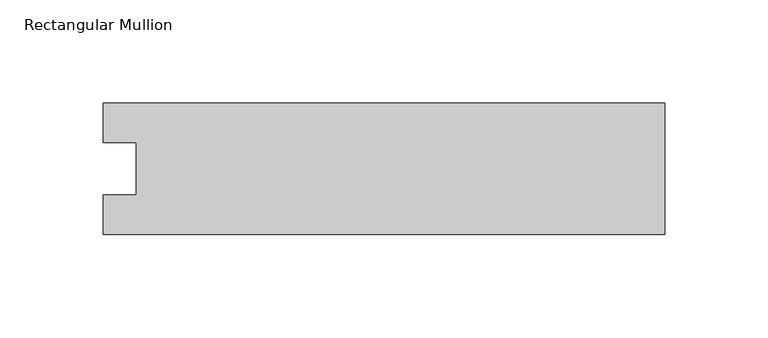
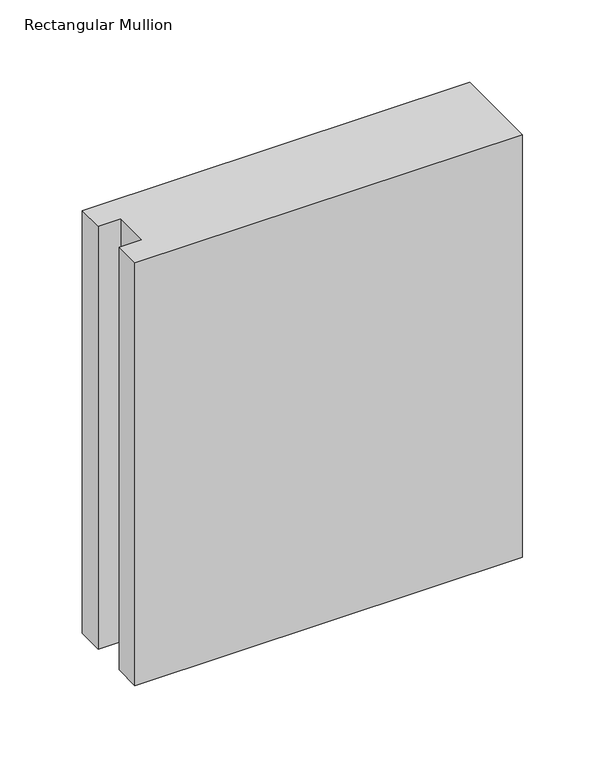
"""IFC4 building model written with IfcOpenShell, lengths in millimetres: member geometry, Rectangular Mullion."""

from ifc_helpers import new_model, si_unit, frame, origin, place, context, project, spatial, polyline, outline, extrude, source, transform, mapped, element, save


def rectangular_mullion_03169b6f(model_context):
    return source(origin(), model_context, "Body", "SweptSolid", [
        extrude(outline(polyline([(-271.2568015, -31.7489583), (-271.2568015, -12.7), (-255.3707024, -12.7), (-255.3707024, 12.7), (-271.2568015, 12.7), (-271.2568015, 31.7489583), (0.0, 31.7489583), (0.0, -31.7489583), (-271.2568015, -31.7489583)])), frame((0.0, 0.0, -312.8264), z_axis=(0.0, 0.0, 1.0), x_axis=(1.0, 0.0, 0.0)), (0.0, 0.0, 1.0), 312.8264),
    ])


if __name__ == "__main__":
    model = new_model("IFC4")
    model_context = context("Model", 3, world=origin())
    ifc_project = project(units=[si_unit("LENGTHUNIT", "METRE", prefix="MILLI")], contexts=[model_context])
    site = spatial("IfcSite", under=ifc_project)
    building = spatial("IfcBuilding", under=site)
    placement = place(None, origin())
    rectangular_mullion_shape = rectangular_mullion_03169b6f(model_context)
    element("IfcMember", 1, ObjectType="Rectangular Mullion", at=placement, inside=building, context=model_context, shape_type="MappedRepresentation", body=[
        mapped(rectangular_mullion_shape, transform((0.0, 0.0, 0.0), x_axis=(1.0, 0.0, 0.0), y_axis=(0.0, 1.0, 0.0), z_axis=(0.0, 0.0, 1.0))),
    ])
    save(model, "model.ifc")
